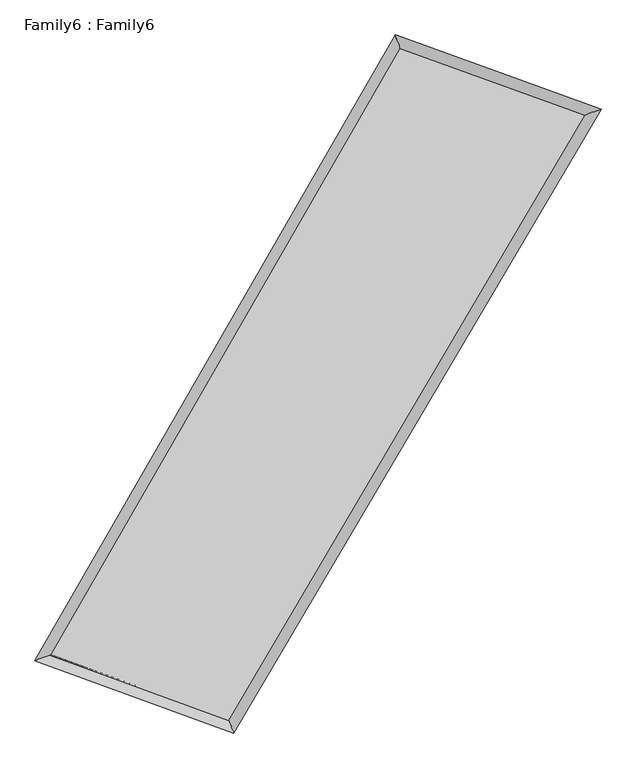
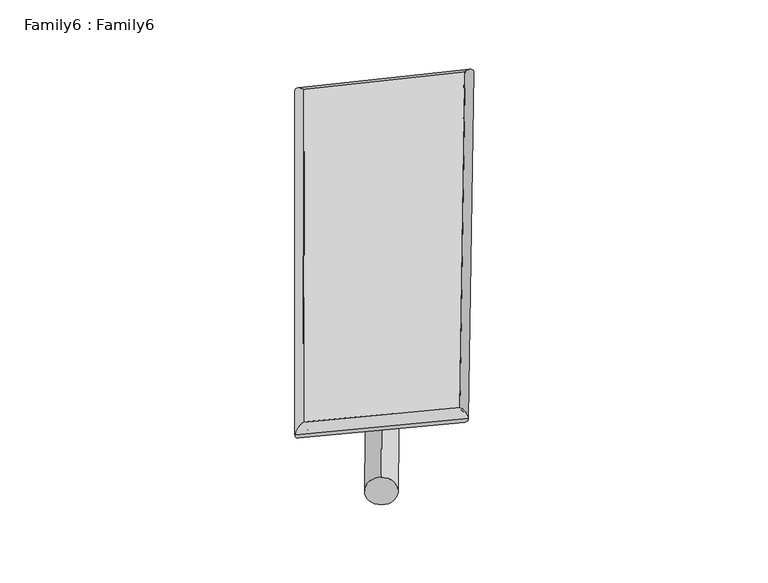
"""IFC4 building model written with IfcOpenShell, lengths in millimetres: plate geometry, Family6 : Family6."""

from ifc_helpers import new_model, si_unit, point, frame, origin, origin_2d, place, context, project, spatial, circle_curve, ellipse_curve, trimmed, segment, composite_curve, outline, extrude, source, transform, mapped, element, save
from ifc_brep_helpers import plane_surface, cylinder_surface, spline_surface, advanced_brep


def family6_family6_c68265c2(model_context):
    return source(origin(), model_context, "Body", "SolidModel", [
        extrude(outline(composite_curve([segment(trimmed(circle_curve(origin_2d(), 76.2), [point((-75.4341514, -10.7763073))], [point((75.4341514, 10.7763073))], False, "CARTESIAN"), True, "CONTINUOUS"), segment(trimmed(circle_curve(origin_2d(), 76.2), [point((75.4341514, 10.7763073))], [point((-75.4341514, -10.7763073))], False, "CARTESIAN"), True, "CONTINUOUS")], self_intersect=False)), frame((9144.0, 9144.0, 0.0), z_axis=(0.6838030065457369, 0.6828949189464406, 0.25703691936401907), x_axis=(-0.6738689610473668, 0.726135881944922, -0.13648188264019803)), (0.0, 0.0, 1.0), 5965.7427886),
        extrude(outline(composite_curve([segment(trimmed(circle_curve(origin_2d(), 76.2), [point((-53.8815367, 53.8815367))], [point((53.8815367, -53.8815367))], False, "CARTESIAN"), True, "CONTINUOUS"), segment(trimmed(circle_curve(origin_2d(), 76.2), [point((53.8815367, -53.8815367))], [point((-53.8815367, 53.8815367))], False, "CARTESIAN"), True, "CONTINUOUS")], self_intersect=False)), frame((9144.0, 9144.0, 0.0), z_axis=(-0.6781284059861825, -0.6880799644162894, 0.25823986439648994), x_axis=(0.6326133814773405, -0.3676386147295092, 0.6816466522587582)), (0.0, 0.0, 1.0), 5938.4409981),
        extrude(outline(composite_curve([segment(trimmed(circle_curve(origin_2d(), 76.2), [point((-53.8815367, -53.8815368))], [point((53.8815367, 53.8815368))], False, "CARTESIAN"), True, "CONTINUOUS"), segment(trimmed(circle_curve(origin_2d(), 76.2), [point((53.8815367, 53.8815368))], [point((-53.8815367, -53.8815368))], False, "CARTESIAN"), True, "CONTINUOUS")], self_intersect=False)), frame((9144.0, 9144.0, 0.0), z_axis=(0.23127032172807419, 0.9325450004011793, 0.2772613577737753), x_axis=(-0.848052710979112, 0.3328979790784863, -0.41229302071031804)), (0.0, 0.0, 1.0), 5458.1018044),
        extrude(outline(composite_curve([segment(trimmed(circle_curve(origin_2d(), 76.2), [point((-75.4341514, 10.7763074))], [point((75.4341514, -10.7763074))], False, "CARTESIAN"), True, "CONTINUOUS"), segment(trimmed(circle_curve(origin_2d(), 76.2), [point((75.4341514, -10.7763074))], [point((-75.4341514, 10.7763074))], False, "CARTESIAN"), True, "CONTINUOUS")], self_intersect=False)), frame((9144.0, 9144.0, 0.0), z_axis=(-0.24053698586926972, -0.9302014188686918, 0.27724948830178153), x_axis=(0.8878145309187214, -0.09539083802124043, 0.45020656004902493)), (0.0, 0.0, 1.0), 5456.8233154),
        advanced_brep(
        [(4894.373935, 4976.8547693, 1532.3172177), (4894.3635274, 4976.8375526, 1535.4185804), (5339.5750087, 5138.9006894, 1534.7671785), (10474.6090983, 14047.285169, 1515.1355538), (10337.9848223, 14420.5659297, 1511.5058805), (5339.5854164, 5138.917906, 1531.6658158), (12998.7690561, 13136.9787095, 1533.1413598), (13448.0166541, 13298.9721666, 1533.6909364), (7764.5109416, 4254.6728144, 1513.2266912), (7898.353393, 3881.4376047, 1512.5762527)],
        [
            (0, 1, ellipse_curve(frame((5116.9744719, 5057.8777293, 1533.5421981), z_axis=(-0.34204823003234025, 0.939673589675648, 0.004068562132437134), x_axis=(-0.9396567169854055, -0.34206768603295135, 0.005912055164812672)), 236.9113427, 152.4)),
            (1, 2, ellipse_curve(frame((5116.9744719, 5057.8777293, 1533.5421981), z_axis=(-0.34204823003234025, 0.939673589675648, 0.004068562132437134), x_axis=(-0.9396567169854055, -0.34206768603295135, 0.005912055164812672)), 236.9113427, 152.4)),
            (2, 3),
            (3, 4, ellipse_curve(frame((10406.2969603, 14233.9255493, 1513.3207171), z_axis=(-0.9390612173298835, -0.343735696476133, -0.0031306668595332348), x_axis=(0.3437098964200729, -0.9390518801285679, 0.006713682291013512)), 198.7577299, 152.4)),
            (4, 0),
            (2, 5, ellipse_curve(frame((5116.9744719, 5057.8777293, 1533.5421981), z_axis=(-0.34204823003234025, 0.939673589675648, 0.004068562132437134), x_axis=(-0.9396567169854055, -0.34206768603295135, 0.005912055164812672)), 236.9113427, 152.4)),
            (5, 0, ellipse_curve(frame((5116.9744719, 5057.8777293, 1533.5421981), z_axis=(-0.34204823003234025, 0.939673589675648, 0.004068562132437134), x_axis=(-0.9396567169854055, -0.34206768603295135, 0.005912055164812672)), 236.9113427, 152.4)),
            (4, 3, ellipse_curve(frame((10406.2969603, 14233.9255493, 1513.3207171), z_axis=(-0.9390612173298835, -0.343735696476133, -0.0031306668595332348), x_axis=(0.3437098964200729, -0.9390518801285679, 0.006713682291013512)), 198.7577299, 152.4)),
            (3, 6),
            (6, 7, ellipse_curve(frame((13223.3928551, 13217.9754381, 1533.4161481), z_axis=(-0.33920297315171954, 0.9407057608002535, -0.003743608185961396), x_axis=(-0.940690407629459, -0.3392197732233254, -0.005612704182307029)), 238.7845225, 152.4)),
            (7, 4),
            (7, 6, ellipse_curve(frame((13223.3928551, 13217.9754381, 1533.4161481), z_axis=(-0.33920297315171954, 0.9407057608002535, -0.003743608185961396), x_axis=(-0.940690407629459, -0.3392197732233254, -0.005612704182307029)), 238.7845225, 152.4)),
            (6, 8),
            (8, 9, ellipse_curve(frame((7831.4321673, 4068.0552095, 1512.9014719), z_axis=(0.9412991454441152, 0.3375565516075737, -0.0033901700520624477), x_axis=(-0.3375273566340938, 0.9412889845920253, 0.007094435094867163)), 198.2561376, 152.4)),
            (9, 7),
            (9, 8, ellipse_curve(frame((7831.4321673, 4068.0552095, 1512.9014719), z_axis=(0.9412991454441152, 0.3375565516075737, -0.0033901700520624477), x_axis=(-0.3375273566340938, 0.9412889845920253, 0.007094435094867163)), 198.2561376, 152.4)),
            (8, 5),
            (1, 9),
        ],
        [
            cylinder_surface(frame((5116.9744719, 5057.8777293, 1533.5421981), z_axis=(-0.4993991038862864, -0.8663699497545759, 0.001909240641717721), x_axis=(-0.8663353119914924, 0.4993564173956012, -0.010309975869704406)), 152.4),
            cylinder_surface(frame((10406.2969603, 14233.9255493, 1513.3207171), z_axis=(-0.9406749960496525, 0.33924257553906745, -0.006710197359705403), x_axis=(0.33928320957880476, 0.940663240155072, -0.006290653294066958)), 152.4),
            cylinder_surface(frame((13223.3928551, 13217.9754381, 1533.4161481), z_axis=(0.5076943944296726, 0.8615350664555194, 0.0019316138775905731), x_axis=(0.8615370707863748, -0.5076943944296726, -0.0005268069108805719)), 152.4),
            cylinder_surface(frame((7831.4321673, 4068.0552095, 1512.9014719), z_axis=(0.9394637260423538, -0.3425738975840057, -0.007143678654626451), x_axis=(-0.3425545827000374, -0.939490203803926, 0.0038098330227103764)), 152.4),
        ],
        [
            (0, [[1, 2, 3, 4, 5]]),
            (0, [[6, 7, -5, 8, -3]]),
            (1, [[-4, 9, 10, 11]]),
            (1, [[-8, -11, 12, -9]]),
            (2, [[-10, 13, 14, 15]]),
            (2, [[-12, -15, 16, -13]]),
            (3, [[-14, 17, -6, -2, 18]]),
            (3, [[-16, -18, -1, -7, -17]]),
        ],
    ),
        extrude(outline(composite_curve([segment(trimmed(circle_curve(origin_2d(), 304.8), [point((0.0, 304.8))], [point((0.0, -304.8))], False, "CARTESIAN"), True, "CONTINUOUS"), segment(trimmed(circle_curve(origin_2d(), 304.8), [point((0.0, -304.8))], [point((0.0, 304.8))], False, "CARTESIAN"), True, "CONTINUOUS")], self_intersect=False)), frame((11831.0274134, 13740.6060098, -0.0055017), z_axis=(-0.5046659076082253, -0.8633147292250368, 1.0333093715287569e-06), x_axis=(-0.8633147292256098, 0.5046659076082253, -2.7986469684567447e-07)), (0.0, 0.0, 1.0), 10648.7376022),
        advanced_brep(
        [(5116.9744719, 5057.8777293, 1533.5421981), (7831.4321673, 4068.0552095, 1512.9014719), (7831.4274925, 4068.0553268, 1665.3014719), (5116.969797, 5057.8778466, 1685.942198), (13223.3928551, 13217.9754381, 1533.4161481), (13223.3881803, 13217.9755553, 1685.816148), (10406.2969603, 14233.9255493, 1513.3207171), (10406.2922855, 14233.9256666, 1665.7207171)],
        [
            (0, 1),
            (1, 2),
            (2, 3),
            (3, 0),
            (1, 4),
            (4, 5),
            (5, 2),
            (4, 6),
            (6, 7),
            (7, 5),
            (6, 0),
            (3, 7),
        ],
        [
            plane_surface(frame((6474.2033196, 4562.9664694, 1523.221835), z_axis=(-0.34258270472002766, -0.9394876743901169, -9.785712996830415e-06), x_axis=(0.9394637260423538, -0.34257389758400564, -0.007143678654626449))),
            plane_surface(frame((10527.4125112, 8643.0153238, 1523.15881), z_axis=(0.8615366471009688, -0.5076953860168598, 2.6818143903852335e-05), x_axis=(0.5076943944296727, 0.8615350664555192, 0.001931613877590573))),
            plane_surface(frame((11814.8449077, 13725.9504937, 1523.3684326), z_axis=(0.3392501521560071, 0.9406961965312575, 9.682557636528106e-06), x_axis=(-0.9406749960496525, 0.3392425755390676, -0.006710197359705405))),
            plane_surface(frame((7761.6357161, 9645.9016393, 1523.4314576), z_axis=(-0.866371554195623, 0.4993999693169949, -2.696007033242741e-05), x_axis=(-0.49939910388628656, -0.8663699497545757, 0.001909240641717718))),
            spline_surface(1, 1, [[(7831.4274925, 4068.0553268, 1665.3014719), (5116.969797, 5057.8778466, 1685.942198)], [(13223.3881803, 13217.9755553, 1685.816148), (10406.2922855, 14233.9256666, 1665.7207171)]], [2, 2], [2, 2], [0.0, 1.0], [0.0, 1.0]),
            spline_surface(1, 1, [[(10406.2969603, 14233.9255493, 1513.3207171), (5116.9744719, 5057.8777293, 1533.5421981)], [(13223.3928551, 13217.9754381, 1533.4161481), (7831.4321673, 4068.0552095, 1512.9014719)]], [2, 2], [2, 2], [0.0, 1.0], [0.0, 1.0]),
        ],
        [
            (0, [[1, 2, 3, 4]]),
            (1, [[5, 6, 7, -2]]),
            (2, [[8, 9, 10, -6]]),
            (3, [[11, -4, 12, -9]]),
            (4, [[-3, -7, -10, -12]]),
            (5, [[-11, -8, -5, -1]]),
        ],
    ),
    ])


if __name__ == "__main__":
    model = new_model("IFC4")
    model_context = context("Model", 3, world=origin())
    ifc_project = project(units=[si_unit("LENGTHUNIT", "METRE", prefix="MILLI")], contexts=[model_context])
    site = spatial("IfcSite", under=ifc_project)
    building = spatial("IfcBuilding", under=site)
    placement = place(None, origin())
    family6_family6_shape = family6_family6_c68265c2(model_context)
    element("IfcPlate", 1, ObjectType="Family6 : Family6", at=placement, inside=building, context=model_context, shape_type="MappedRepresentation", body=[
        mapped(family6_family6_shape, transform((0.0, 0.0, 0.0), x_axis=(1.0, 0.0, 0.0), y_axis=(0.0, 1.0, 0.0), z_axis=(0.0, 0.0, 1.0))),
    ])
    save(model, "model.ifc")
